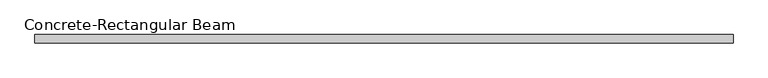
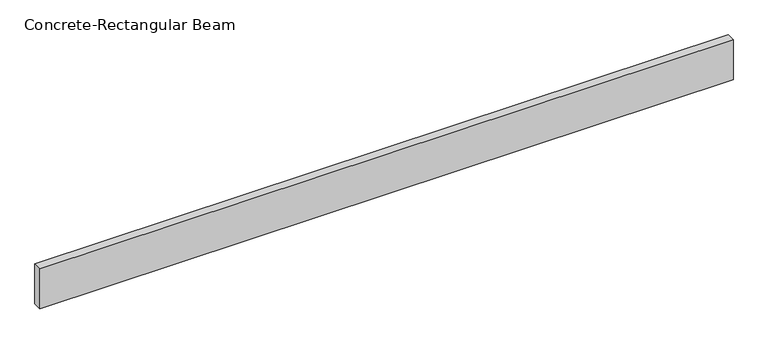
"""IFC4 building model written with IfcOpenShell, lengths in millimetres: beam geometry, Concrete-Rectangular Beam."""

from ifc_helpers import new_model, si_unit, frame, origin, place, context, project, spatial, polyline, outline, extrude, source, transform, mapped, element, save


def concrete_rectangular_beam_e880b0e4(model_context):
    return source(origin(), model_context, "Body", "SweptSolid", [
        extrude(outline(polyline([(2050.0, 25.0), (2050.0, -25.0), (-2050.0, -25.0), (-2050.0, 25.0), (2050.0, 25.0)])), frame((0.0, 0.0, -125.0), z_axis=(0.0, 0.0, 1.0), x_axis=(1.0, 0.0, 0.0)), (0.0, 0.0, 1.0), 250.0),
    ])


if __name__ == "__main__":
    model = new_model("IFC4")
    model_context = context("Model", 3, world=origin())
    ifc_project = project(units=[si_unit("LENGTHUNIT", "METRE", prefix="MILLI")], contexts=[model_context])
    site = spatial("IfcSite", under=ifc_project)
    building = spatial("IfcBuilding", under=site)
    placement = place(None, origin())
    concrete_rectangular_beam_shape = concrete_rectangular_beam_e880b0e4(model_context)
    element("IfcBeam", 1, ObjectType="Concrete-Rectangular Beam", at=placement, inside=building, context=model_context, shape_type="MappedRepresentation", body=[
        mapped(concrete_rectangular_beam_shape, transform((0.0, 0.0, 0.0), x_axis=(1.0, 0.0, 0.0), y_axis=(0.0, 1.0, 0.0), z_axis=(0.0, 0.0, 1.0))),
    ])
    save(model, "model.ifc")
